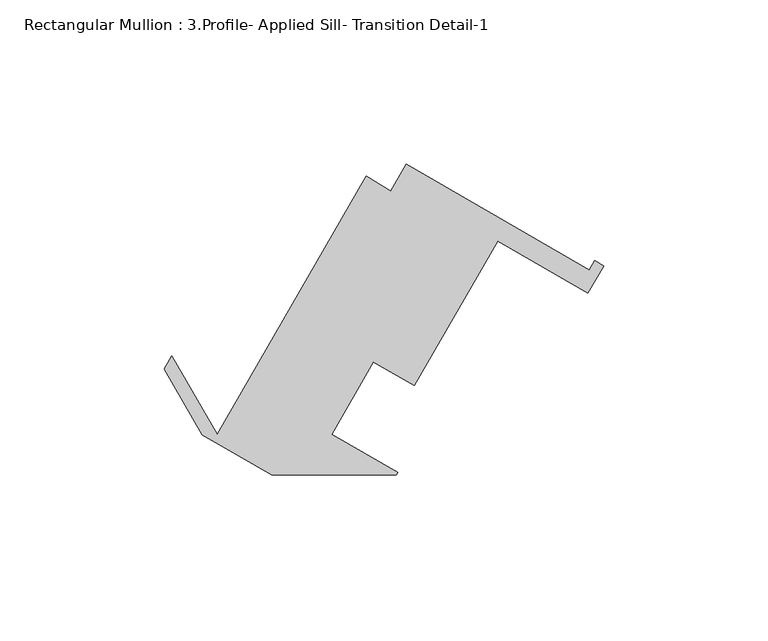
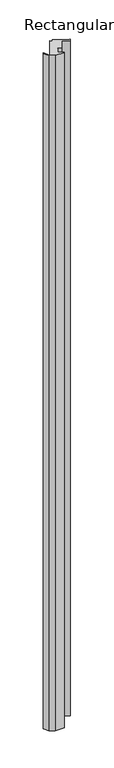
"""IFC4 building model written with IfcOpenShell, lengths in millimetres: member geometry, Rectangular Mullion : 3.Profile- Applied Sill- Transition Detail-1."""

from ifc_helpers import new_model, si_unit, frame, origin, place, context, project, spatial, polyline, outline, extrude, source, transform, mapped, element, save


def rectangular_mullion_3_profile_applied_sill_transition_detail_e2995e80(model_context):
    return source(origin(), model_context, "Body", "SweptSolid", [
        extrude(outline(polyline([(-122.0891098, -36.7242836), (-133.6242822, -16.7356168), (-131.3228304, -12.7493854), (-117.5746771, -36.5618854), (-72.2049441, 42.0207973), (-64.7142182, 37.5199151), (-60.0116522, 45.6649984), (-4.3371307, 13.5212984), (-2.7496307, 16.2709291), (0.0, 14.6834291), (-4.7625, 6.4345371), (-32.2588066, 22.3095371), (-57.6594543, -21.6856753), (-70.0327922, -14.5419253), (-82.7312912, -36.5363706), (-62.6446149, -48.1334186), (-63.1318546, -48.9443217), (-100.9214136, -48.9454587), (-122.0891098, -36.7242836)])), frame((0.0, 0.0, -3048.0), z_axis=(0.0, 0.0, 1.0), x_axis=(1.0, 0.0, 0.0)), (0.0, 0.0, 1.0), 3048.0),
    ])


if __name__ == "__main__":
    model = new_model("IFC4")
    model_context = context("Model", 3, world=origin())
    ifc_project = project(units=[si_unit("LENGTHUNIT", "METRE", prefix="MILLI")], contexts=[model_context])
    site = spatial("IfcSite", under=ifc_project)
    building = spatial("IfcBuilding", under=site)
    placement = place(None, origin())
    rectangular_mullion_3_profile_applied_sill_transition_detail_shape = rectangular_mullion_3_profile_applied_sill_transition_detail_e2995e80(model_context)
    element("IfcMember", 1, ObjectType="Rectangular Mullion : 3.Profile- Applied Sill- Transition Detail-1", at=placement, inside=building, context=model_context, shape_type="MappedRepresentation", body=[
        mapped(rectangular_mullion_3_profile_applied_sill_transition_detail_shape, transform((0.0, 0.0, 0.0), x_axis=(1.0, 0.0, 0.0), y_axis=(0.0, 1.0, 0.0), z_axis=(0.0, 0.0, 1.0))),
    ])
    save(model, "model.ifc")
